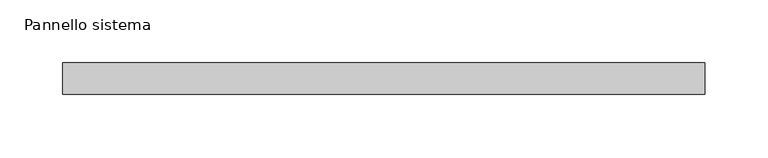
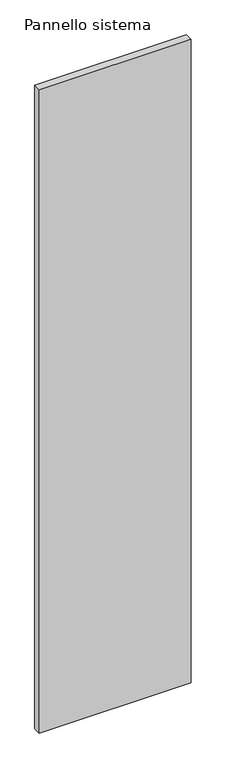
"""IFC4 building model written with IfcOpenShell, lengths in millimetres: plate geometry, Pannello sistema."""

from ifc_helpers import new_model, si_unit, origin, origin_with_axes, place, context, project, spatial, polyline, outline, extrude, source, transform, mapped, element, save


def pannello_sistema_1f3c569b(model_context):
    return source(origin(), model_context, "Body", "SweptSolid", [
        extrude(outline(polyline([(255.0, -12.5), (-255.0, -12.5), (-255.0, 12.5), (255.0, 12.5), (255.0, -12.5)])), origin_with_axes(), (0.0, 0.0, 1.0), 2282.5525218),
    ])


if __name__ == "__main__":
    model = new_model("IFC4")
    model_context = context("Model", 3, world=origin())
    ifc_project = project(units=[si_unit("LENGTHUNIT", "METRE", prefix="MILLI")], contexts=[model_context])
    site = spatial("IfcSite", under=ifc_project)
    building = spatial("IfcBuilding", under=site)
    placement = place(None, origin())
    pannello_sistema_shape = pannello_sistema_1f3c569b(model_context)
    element("IfcPlate", 1, ObjectType="Pannello sistema", at=placement, inside=building, context=model_context, shape_type="MappedRepresentation", body=[
        mapped(pannello_sistema_shape, transform((0.0, 0.0, 0.0), x_axis=(1.0, 0.0, 0.0), y_axis=(0.0, 1.0, 0.0), z_axis=(0.0, 0.0, 1.0))),
    ])
    save(model, "model.ifc")
